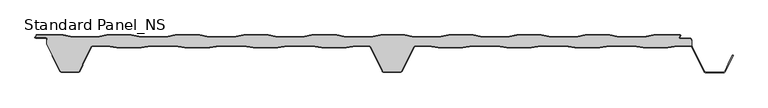
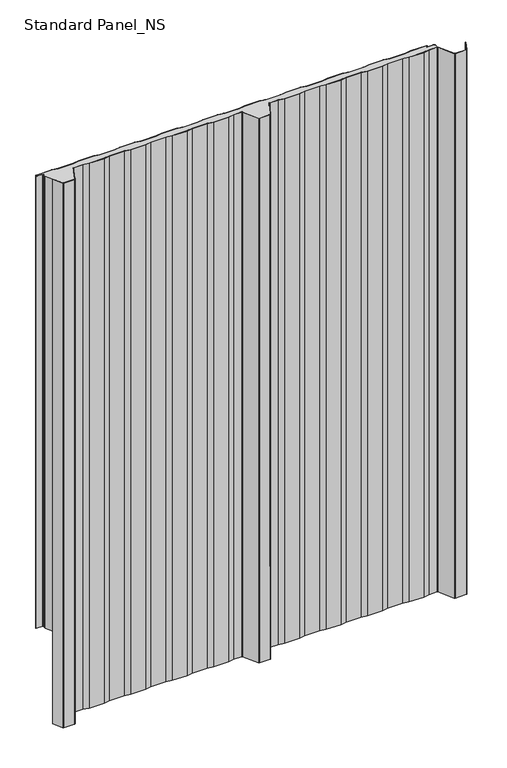
"""IFC4 building model written with IfcOpenShell, lengths in millimetres: proxy geometry, Standard Panel_NS."""

from ifc_helpers import new_model, si_unit, point, frame, frame_2d, origin, origin_with_axes, place, context, project, spatial, polyline, circle_curve, trimmed, segment, composite_curve, outline, extrude, source, transform, mapped, element, save
from ifc_brep_helpers import plane_surface, cylinder_surface, revolved_surface, advanced_brep


def standard_panel_ns_cf2eb5dc(model_context):
    return source(origin(), model_context, "Body", "SolidModel", [
        advanced_brep(
        [(-464.8660923, -16.7, 1219.2), (-442.3904103, -16.7, 1219.2), (-427.5510173, -19.2, 1219.2), (-389.4758059, -19.2, 1219.2), (-374.6364129, -16.7, 1219.2), (-336.3904103, -16.7, 1219.2), (-321.5510173, -19.2, 1219.2), (-283.4758059, -19.2, 1219.2), (-268.6364129, -16.7, 1219.2), (-230.3904103, -16.7, 1219.2), (-215.5510173, -19.2, 1219.2), (-177.4758059, -19.2, 1219.2), (-162.6364129, -16.7, 1219.2), (-124.3904103, -16.7, 1219.2), (-109.5510173, -19.2, 1219.2), (-71.4758059, -19.2, 1219.2), (-56.6364129, -16.7, 1219.2), (-36.4221814, -16.7, 1219.2), (-33.648765, -18.415023, 1219.2), (-14.9196128, -55.9201502, 1219.2), (-13.5776371, -56.75, 1219.2), (13.5778186, -56.75, 1219.2), (14.9197943, -55.9201502, 1219.2), (33.6489464, -18.415023, 1219.2), (36.4223629, -16.7, 1219.2), (56.6365943, -16.7, 1219.2), (71.4759874, -19.2, 1219.2), (109.5511987, -19.2, 1219.2), (124.3905918, -16.7, 1219.2), (162.6365943, -16.7, 1219.2), (177.4759874, -19.2, 1219.2), (215.5511987, -19.2, 1219.2), (230.3905918, -16.7, 1219.2), (268.6365943, -16.7, 1219.2), (283.4759874, -19.2, 1219.2), (321.5511987, -19.2, 1219.2), (336.3905918, -16.7, 1219.2), (374.6365943, -16.7, 1219.2), (389.4759874, -19.2, 1219.2), (427.5511987, -19.2, 1219.2), (442.3905918, -16.7, 1219.2), (462.60413, -16.7, 1219.2), (464.2327461, -17.1622719, 1219.2), (464.2, -9.4, 1219.2), (463.3617336, -9.4, 1219.2), (463.3617336, -7.4001714, 1219.2), (462.0617343, -6.1001721, 1219.2), (446.4756642, -6.1001721, 1219.2), (444.965675, -3.3204106, 1219.2), (446.6010518, -0.8, 1219.2), (405.4929437, -0.8, 1219.2), (390.4929437, -3.3, 1219.2), (352.3605236, -3.3, 1219.2), (337.3605236, -0.8, 1219.2), (299.4929437, -0.8, 1219.2), (284.4929437, -3.3, 1219.2), (246.3605236, -3.3, 1219.2), (231.3605236, -0.8, 1219.2), (193.4929437, -0.8, 1219.2), (178.4929437, -3.3, 1219.2), (140.3605236, -3.3, 1219.2), (125.3605236, -0.8, 1219.2), (87.4929437, -0.8, 1219.2), (72.4929437, -3.3, 1219.2), (34.3605236, -3.3, 1219.2), (19.3605236, -0.8, 1219.2), (-18.0070563, -0.8, 1219.2), (-33.0070563, -3.3, 1219.2), (-71.1394764, -3.3, 1219.2), (-86.1394764, -0.8, 1219.2), (-124.5070563, -0.8, 1219.2), (-139.5070563, -3.3, 1219.2), (-177.6394764, -3.3, 1219.2), (-192.6394764, -0.8, 1219.2), (-230.5070563, -0.8, 1219.2), (-245.5070563, -3.3, 1219.2), (-283.6394764, -3.3, 1219.2), (-298.6394764, -0.8, 1219.2), (-336.5070563, -0.8, 1219.2), (-351.5070563, -3.3, 1219.2), (-389.6394764, -3.3, 1219.2), (-404.6394764, -0.8, 1219.2), (-442.5070563, -0.8, 1219.2), (-457.5070563, -3.3, 1219.2), (-495.6394764, -3.3, 1219.2), (-510.6394764, -0.8, 1219.2), (-551.4916498, -0.8, 1219.2), (-553.5680922, -4.0001723, 1219.2), (-537.2382661, -4.0001723, 1219.2), (-535.0382664, -6.2001721, 1219.2), (-535.0382664, -8.130172, 1219.2), (-535.8382664, -8.130172, 1219.2), (-535.7998185, -14.25, 1219.2), (-514.9196128, -55.9201502, 1219.2), (-513.5776371, -56.75, 1219.2), (-486.4221814, -56.75, 1219.2), (-485.0802057, -55.9201502, 1219.2), (-480.840508, -47.4301555, 1219.2), (-480.6503205, -45.7702853, 1219.2), (-480.4229673, -45.0045421, 1219.2), (-466.9237884, -17.9724364, 1219.2), (-464.8660923, -16.7, 0.0), (-466.9237884, -17.9724364, 0.0), (-480.4229673, -45.0045421, 0.0), (-480.6503205, -45.7702853, 0.0), (-480.840508, -47.4301555, 0.0), (-485.0802057, -55.9201502, 0.0), (-486.4221814, -56.75, 0.0), (-513.5776371, -56.75, 0.0), (-514.9196128, -55.9201502, 0.0), (-535.7286766, -14.25, 0.0), (-535.8382664, -8.130172, 0.0), (-535.0382664, -8.130172, 0.0), (-535.0382664, -6.2001721, 0.0), (-537.2382661, -4.0001723, 0.0), (-553.5680922, -4.0001723, 0.0), (-551.4916498, -0.8, 0.0), (-510.6394764, -0.8, 0.0), (-495.6394764, -3.3, 0.0), (-457.5070563, -3.3, 0.0), (-442.5070563, -0.8, 0.0), (-404.6394764, -0.8, 0.0), (-389.6394764, -3.3, 0.0), (-351.5070563, -3.3, 0.0), (-336.5070563, -0.8, 0.0), (-298.6394764, -0.8, 0.0), (-283.6394764, -3.3, 0.0), (-245.5070563, -3.3, 0.0), (-230.5070563, -0.8, 0.0), (-192.6394764, -0.8, 0.0), (-177.6394764, -3.3, 0.0), (-139.5070563, -3.3, 0.0), (-124.5070563, -0.8, 0.0), (-86.1394764, -0.8, 0.0), (-71.1394764, -3.3, 0.0), (-33.0070563, -3.3, 0.0), (-18.0070563, -0.8, 0.0), (19.3605236, -0.8, 0.0), (34.3605236, -3.3, 0.0), (72.4929437, -3.3, 0.0), (87.4929437, -0.8, 0.0), (125.3605236, -0.8, 0.0), (140.3605236, -3.3, 0.0), (178.4929437, -3.3, 0.0), (193.4929437, -0.8, 0.0), (231.3605236, -0.8, 0.0), (246.3605236, -3.3, 0.0), (284.4929437, -3.3, 0.0), (299.4929437, -0.8, 0.0), (337.3605236, -0.8, 0.0), (352.3605236, -3.3, 0.0), (390.4929437, -3.3, 0.0), (405.4929437, -0.8, 0.0), (446.6010518, -0.8, 0.0), (444.965675, -3.3204106, 0.0), (446.4756642, -6.1001721, 0.0), (462.0617343, -6.1001721, 0.0), (463.3617336, -7.4001714, 0.0), (463.3617336, -9.4001722, 0.0), (464.2, -9.4, 0.0), (464.2327461, -17.1622719, 0.0), (462.60413, -16.7, 0.0), (442.3905918, -16.7, 0.0), (427.5511987, -19.2, 0.0), (389.4759874, -19.2, 0.0), (374.6365943, -16.7, 0.0), (336.3905918, -16.7, 0.0), (321.5511987, -19.2, 0.0), (283.4759874, -19.2, 0.0), (268.6365943, -16.7, 0.0), (230.3905918, -16.7, 0.0), (215.5511987, -19.2, 0.0), (177.4759874, -19.2, 0.0), (162.6365943, -16.7, 0.0), (124.3905918, -16.7, 0.0), (109.5511987, -19.2, 0.0), (71.4759874, -19.2, 0.0), (56.6365943, -16.7, 0.0), (36.4223629, -16.7, 0.0), (33.6489464, -18.415023, 0.0), (14.9197943, -55.9201502, 0.0), (13.5778186, -56.75, 0.0), (-13.5776371, -56.75, 0.0), (-14.9196128, -55.9201502, 0.0), (-33.648765, -18.415023, 0.0), (-36.4221814, -16.7, 0.0), (-56.6364129, -16.7, 0.0), (-71.4758059, -19.2, 0.0), (-109.5510173, -19.2, 0.0), (-124.3904103, -16.7, 0.0), (-162.6364129, -16.7, 0.0), (-177.4758059, -19.2, 0.0), (-215.5510173, -19.2, 0.0), (-230.3904103, -16.7, 0.0), (-268.6364129, -16.7, 0.0), (-283.4758059, -19.2, 0.0), (-321.5510173, -19.2, 0.0), (-336.3904103, -16.7, 0.0), (-374.6364129, -16.7, 0.0), (-389.4758059, -19.2, 0.0), (-427.5510173, -19.2, 0.0), (-442.3904103, -16.7, 0.0)],
        [
            (0, 1),
            (1, 2),
            (2, 3),
            (3, 4),
            (4, 5),
            (5, 6),
            (6, 7),
            (7, 8),
            (8, 9),
            (9, 10),
            (10, 11),
            (11, 12),
            (12, 13),
            (13, 14),
            (14, 15),
            (15, 16),
            (16, 17),
            (17, 18, circle_curve(frame((-36.4221814, -19.8, 1219.2), z_axis=(0.0, 0.0, -1.0), x_axis=(-1.0, 0.0, 0.0)), 3.1)),
            (18, 19),
            (19, 20, circle_curve(frame((-13.5776371, -55.25, 1219.2), z_axis=(0.0, 0.0, 1.0), x_axis=(-1.0, 0.0, 0.0)), 1.5)),
            (20, 21),
            (21, 22, circle_curve(frame((13.5778186, -55.25, 1219.2), z_axis=(0.0, 0.0, 1.0), x_axis=(-1.0, 0.0, 0.0)), 1.5)),
            (22, 23),
            (23, 24, circle_curve(frame((36.4223629, -19.8, 1219.2), z_axis=(0.0, 0.0, -1.0), x_axis=(-1.0, 0.0, 0.0)), 3.1)),
            (24, 25),
            (25, 26),
            (26, 27),
            (27, 28),
            (28, 29),
            (29, 30),
            (30, 31),
            (31, 32),
            (32, 33),
            (33, 34),
            (34, 35),
            (35, 36),
            (36, 37),
            (37, 38),
            (38, 39),
            (39, 40),
            (40, 41),
            (41, 42, circle_curve(frame((462.60413, -19.8, 1219.2), z_axis=(0.0, 0.0, -1.0), x_axis=(-1.0, 0.0, 0.0)), 3.1)),
            (42, 43),
            (43, 44),
            (44, 45),
            (45, 46, circle_curve(frame((462.0617343, -7.4001714, 1219.2), z_axis=(0.0, 0.0, 1.0), x_axis=(-1.0, 0.0, 0.0)), 1.2999993)),
            (46, 47),
            (47, 48, circle_curve(frame((446.4756642, -4.3001721, 1219.2), z_axis=(0.0, 0.0, -1.0), x_axis=(-1.0, 0.0, 0.0)), 1.8)),
            (48, 49),
            (49, 50),
            (50, 51),
            (51, 52),
            (52, 53),
            (53, 54),
            (54, 55),
            (55, 56),
            (56, 57),
            (57, 58),
            (58, 59),
            (59, 60),
            (60, 61),
            (61, 62),
            (62, 63),
            (63, 64),
            (64, 65),
            (65, 66),
            (66, 67),
            (67, 68),
            (68, 69),
            (69, 70),
            (70, 71),
            (71, 72),
            (72, 73),
            (73, 74),
            (74, 75),
            (75, 76),
            (76, 77),
            (77, 78),
            (78, 79),
            (79, 80),
            (80, 81),
            (81, 82),
            (82, 83),
            (83, 84),
            (84, 85),
            (85, 86),
            (86, 87),
            (87, 88),
            (88, 89, circle_curve(frame((-537.2382661, -6.2001721, 1219.2), z_axis=(0.0, 0.0, -1.0), x_axis=(-1.0, 0.0, 0.0)), 2.1999997)),
            (89, 90),
            (90, 91),
            (91, 92),
            (92, 93),
            (93, 94, circle_curve(frame((-513.5776371, -55.25, 1219.2), z_axis=(0.0, 0.0, 1.0), x_axis=(-1.0, 0.0, 0.0)), 1.5)),
            (94, 95),
            (95, 96, circle_curve(frame((-486.4221814, -55.25, 1219.2), z_axis=(0.0, 0.0, 1.0), x_axis=(-1.0, 0.0, 0.0)), 1.5)),
            (96, 97),
            (97, 98),
            (98, 99, circle_curve(frame((-478.3652712, -46.0321057, 1219.2), z_axis=(0.0, 0.0, -1.0), x_axis=(-1.0, 0.0, 0.0)), 2.3)),
            (99, 100),
            (100, 0, circle_curve(frame((-464.8660923, -19.0, 1219.2), z_axis=(0.0, 0.0, -1.0), x_axis=(-1.0, 0.0, 0.0)), 2.3)),
            (101, 102, circle_curve(frame((-464.8660923, -19.0, 0.0), z_axis=(0.0, 0.0, 1.0), x_axis=(-1.0, 0.0, 0.0)), 2.3)),
            (102, 103),
            (103, 104, circle_curve(frame((-478.3652712, -46.0321057, 0.0), z_axis=(0.0, 0.0, 1.0), x_axis=(-1.0, 0.0, 0.0)), 2.3)),
            (104, 105),
            (105, 106),
            (106, 107, circle_curve(frame((-486.4221814, -55.25, 0.0), z_axis=(0.0, 0.0, -1.0), x_axis=(-1.0, 0.0, 0.0)), 1.5)),
            (107, 108),
            (108, 109, circle_curve(frame((-513.5776371, -55.25, 0.0), z_axis=(0.0, 0.0, -1.0), x_axis=(-1.0, 0.0, 0.0)), 1.5)),
            (109, 110),
            (110, 111),
            (111, 112),
            (112, 113),
            (113, 114, circle_curve(frame((-537.2382661, -6.2001721, 0.0), z_axis=(0.0, 0.0, 1.0), x_axis=(-1.0, 0.0, 0.0)), 2.1999997)),
            (114, 115),
            (115, 116),
            (116, 117),
            (117, 118),
            (118, 119),
            (119, 120),
            (120, 121),
            (121, 122),
            (122, 123),
            (123, 124),
            (124, 125),
            (125, 126),
            (126, 127),
            (127, 128),
            (128, 129),
            (129, 130),
            (130, 131),
            (131, 132),
            (132, 133),
            (133, 134),
            (134, 135),
            (135, 136),
            (136, 137),
            (137, 138),
            (138, 139),
            (139, 140),
            (140, 141),
            (141, 142),
            (142, 143),
            (143, 144),
            (144, 145),
            (145, 146),
            (146, 147),
            (147, 148),
            (148, 149),
            (149, 150),
            (150, 151),
            (151, 152),
            (152, 153),
            (153, 154),
            (154, 155, circle_curve(frame((446.4756642, -4.3001721, 0.0), z_axis=(0.0, 0.0, 1.0), x_axis=(-1.0, 0.0, 0.0)), 1.8)),
            (155, 156),
            (156, 157, circle_curve(frame((462.0617343, -7.4001714, 0.0), z_axis=(0.0, 0.0, -1.0), x_axis=(-1.0, 0.0, 0.0)), 1.2999993)),
            (157, 158),
            (158, 159),
            (159, 160),
            (160, 161, circle_curve(frame((462.60413, -19.8, 0.0), z_axis=(0.0, 0.0, 1.0), x_axis=(-1.0, 0.0, 0.0)), 3.1)),
            (161, 162),
            (162, 163),
            (163, 164),
            (164, 165),
            (165, 166),
            (166, 167),
            (167, 168),
            (168, 169),
            (169, 170),
            (170, 171),
            (171, 172),
            (172, 173),
            (173, 174),
            (174, 175),
            (175, 176),
            (176, 177),
            (177, 178),
            (178, 179, circle_curve(frame((36.4223629, -19.8, 0.0), z_axis=(0.0, 0.0, 1.0), x_axis=(-1.0, 0.0, 0.0)), 3.1)),
            (179, 180),
            (180, 181, circle_curve(frame((13.5778186, -55.25, 0.0), z_axis=(0.0, 0.0, -1.0), x_axis=(-1.0, 0.0, 0.0)), 1.5)),
            (181, 182),
            (182, 183, circle_curve(frame((-13.5776371, -55.25, 0.0), z_axis=(0.0, 0.0, -1.0), x_axis=(-1.0, 0.0, 0.0)), 1.5)),
            (183, 184),
            (184, 185, circle_curve(frame((-36.4221814, -19.8, 0.0), z_axis=(0.0, 0.0, 1.0), x_axis=(-1.0, 0.0, 0.0)), 3.1)),
            (185, 186),
            (186, 187),
            (187, 188),
            (188, 189),
            (189, 190),
            (190, 191),
            (191, 192),
            (192, 193),
            (193, 194),
            (194, 195),
            (195, 196),
            (196, 197),
            (197, 198),
            (198, 199),
            (199, 200),
            (200, 201),
            (201, 101),
            (100, 102),
            (101, 0),
            (99, 103),
            (98, 104),
            (97, 105),
            (96, 106),
            (95, 107),
            (94, 108),
            (93, 109),
            (92, 110),
            (159, 43),
            (42, 160),
            (41, 161),
            (40, 162),
            (39, 163),
            (38, 164),
            (37, 165),
            (36, 166),
            (35, 167),
            (34, 168),
            (33, 169),
            (32, 170),
            (31, 171),
            (30, 172),
            (29, 173),
            (28, 174),
            (27, 175),
            (26, 176),
            (25, 177),
            (24, 178),
            (23, 179),
            (22, 180),
            (21, 181),
            (20, 182),
            (19, 183),
            (18, 184),
            (17, 185),
            (16, 186),
            (15, 187),
            (14, 188),
            (13, 189),
            (12, 190),
            (11, 191),
            (10, 192),
            (9, 193),
            (8, 194),
            (7, 195),
            (6, 196),
            (5, 197),
            (4, 198),
            (3, 199),
            (2, 200),
            (1, 201),
            (158, 44),
            (91, 111),
            (88, 114),
            (113, 89),
            (87, 115),
            (86, 116),
            (85, 117),
            (84, 118),
            (83, 119),
            (82, 120),
            (81, 121),
            (80, 122),
            (79, 123),
            (78, 124),
            (77, 125),
            (76, 126),
            (75, 127),
            (74, 128),
            (73, 129),
            (72, 130),
            (71, 131),
            (70, 132),
            (69, 133),
            (68, 134),
            (67, 135),
            (66, 136),
            (65, 137),
            (64, 138),
            (63, 139),
            (62, 140),
            (61, 141),
            (60, 142),
            (59, 143),
            (58, 144),
            (57, 145),
            (56, 146),
            (55, 147),
            (54, 148),
            (53, 149),
            (52, 150),
            (51, 151),
            (50, 152),
            (49, 153),
            (48, 154),
            (47, 155),
            (46, 156),
            (45, 157),
            (90, 112),
        ],
        [
            plane_surface(frame((9.07e-05, -19.2, 1219.2), z_axis=(0.0, 0.0, 1.0), x_axis=(0.0, -1.0, 0.0))),
            plane_surface(frame((9.07e-05, -19.2, 0.0), z_axis=(0.0, 0.0, -1.0), x_axis=(0.0, -1.0, 0.0))),
            revolved_surface(polyline([(-467.1660923, -19.0, 0.0), (-467.1660923, -19.0, 1219.2)]), (-464.8660923, -19.0, 1219.2), (0.0, 0.0, -1.0)),
            plane_surface(frame((-466.9237884, -17.9724364, 1219.2), z_axis=(0.8946504628058127, -0.44676677293789996, 0.0), x_axis=(0.0, 0.0, -1.0))),
            revolved_surface(polyline([(-480.6652712, -46.0321057, 0.0), (-480.6652712, -46.0321057, 1219.2)]), (-478.3652712, -46.0321057, 1219.2), (0.0, 0.0, -1.0)),
            plane_surface(frame((-480.6503205, -45.7702853, 1219.2), z_axis=(0.9934996737929253, -0.113834960242235, 0.0), x_axis=(0.0, 0.0, -1.0))),
            plane_surface(frame((-480.840508, -47.4301555, 1219.2), z_axis=(0.8946504628055771, -0.44676677293837186, 0.0), x_axis=(0.0, 0.0, -1.0))),
            cylinder_surface(frame((-486.4221814, -55.25, 1219.2), z_axis=(0.0, 0.0, 1.0), x_axis=(-1.0, 0.0, 0.0)), 1.5),
            plane_surface(frame((-486.4221814, -56.75, 1219.2), z_axis=(0.0, -1.0, 0.0), x_axis=(0.0, 0.0, -1.0))),
            cylinder_surface(frame((-513.5776371, -55.25, 1219.2), z_axis=(0.0, 0.0, 1.0), x_axis=(-1.0, 0.0, 0.0)), 1.5),
            plane_surface(frame((-514.9196128, -55.9201502, 1219.2), z_axis=(-0.8946504628064579, -0.44676677293660805, 0.0), x_axis=(0.0, 0.0, -1.0))),
            plane_surface(frame((464.2327461, -14.25, 1219.2), z_axis=(1.0, 0.0, 0.0), x_axis=(0.0, 0.0, -1.0))),
            revolved_surface(polyline([(459.50413, -19.8, 0.0), (459.50413, -19.8, 1219.2)]), (462.60413, -19.8, 1219.2), (0.0, 0.0, -1.0)),
            plane_surface(frame((462.60413, -16.7, 1219.2), z_axis=(0.0, -1.0, 0.0), x_axis=(0.0, 0.0, -1.0))),
            plane_surface(frame((442.3905918, -16.7, 1219.2), z_axis=(0.16612942863435848, -0.9861039564577467, 0.0), x_axis=(0.0, 0.0, -1.0))),
            plane_surface(frame((427.5511987, -19.2, 1219.2), z_axis=(0.0, -1.0, 0.0), x_axis=(0.0, 0.0, -1.0))),
            plane_surface(frame((389.4759874, -19.2, 1219.2), z_axis=(-0.16612942863454067, -0.9861039564577161, 0.0), x_axis=(0.0, 0.0, -1.0))),
            plane_surface(frame((374.6365943, -16.7, 1219.2), z_axis=(0.0, -1.0, 0.0), x_axis=(0.0, 0.0, -1.0))),
            plane_surface(frame((336.3905918, -16.7, 1219.2), z_axis=(0.1661294286345235, -0.986103956457719, 0.0), x_axis=(0.0, 0.0, -1.0))),
            plane_surface(frame((321.5511987, -19.2, 1219.2), z_axis=(0.0, -1.0, 0.0), x_axis=(0.0, 0.0, -1.0))),
            plane_surface(frame((283.4759874, -19.2, 1219.2), z_axis=(-0.16612942863454067, -0.9861039564577161, 0.0), x_axis=(0.0, 0.0, -1.0))),
            plane_surface(frame((268.6365943, -16.7, 1219.2), z_axis=(0.0, -1.0, 0.0), x_axis=(0.0, 0.0, -1.0))),
            plane_surface(frame((230.3905918, -16.7, 1219.2), z_axis=(0.16612942863435848, -0.9861039564577467, 0.0), x_axis=(0.0, 0.0, -1.0))),
            plane_surface(frame((215.5511987, -19.2, 1219.2), z_axis=(0.0, -1.0, 0.0), x_axis=(0.0, 0.0, -1.0))),
            plane_surface(frame((177.4759874, -19.2, 1219.2), z_axis=(-0.16612942863472926, -0.9861039564576843, 0.0), x_axis=(0.0, 0.0, -1.0))),
            plane_surface(frame((162.6365943, -16.7, 1219.2), z_axis=(0.0, -1.0, 0.0), x_axis=(0.0, 0.0, -1.0))),
            plane_surface(frame((124.3905918, -16.7, 1219.2), z_axis=(0.1661294286345235, -0.986103956457719, 0.0), x_axis=(0.0, 0.0, -1.0))),
            plane_surface(frame((109.5511987, -19.2, 1219.2), z_axis=(0.0, -1.0, 0.0), x_axis=(0.0, 0.0, -1.0))),
            plane_surface(frame((71.4759874, -19.2, 1219.2), z_axis=(-0.16612942863435204, -0.9861039564577478, 0.0), x_axis=(0.0, 0.0, -1.0))),
            plane_surface(frame((56.6365943, -16.7, 1219.2), z_axis=(0.0, -1.0, 0.0), x_axis=(0.0, 0.0, -1.0))),
            revolved_surface(polyline([(33.3223629, -19.8, 0.0), (33.3223629, -19.8, 1219.2)]), (36.4223629, -19.8, 1219.2), (0.0, 0.0, -1.0)),
            plane_surface(frame((33.6489464, -18.415023, 1219.2), z_axis=(0.8946504628060804, -0.44676677293736405, 0.0), x_axis=(0.0, 0.0, -1.0))),
            cylinder_surface(frame((13.5778186, -55.25, 1219.2), z_axis=(0.0, 0.0, 1.0), x_axis=(-1.0, 0.0, 0.0)), 1.5),
            plane_surface(frame((13.5778186, -56.75, 1219.2), z_axis=(0.0, -1.0, 0.0), x_axis=(0.0, 0.0, -1.0))),
            cylinder_surface(frame((-13.5776371, -55.25, 1219.2), z_axis=(0.0, 0.0, 1.0), x_axis=(-1.0, 0.0, 0.0)), 1.5),
            plane_surface(frame((-14.9196128, -55.9201502, 1219.2), z_axis=(-0.8946504628059846, -0.4467667729375559, 0.0), x_axis=(0.0, 0.0, -1.0))),
            revolved_surface(polyline([(-39.5221814, -19.8, 0.0), (-39.5221814, -19.8, 1219.2)]), (-36.4221814, -19.8, 1219.2), (0.0, 0.0, -1.0)),
            plane_surface(frame((-36.4221814, -16.7, 1219.2), z_axis=(0.0, -1.0, 0.0), x_axis=(0.0, 0.0, -1.0))),
            plane_surface(frame((-56.6364129, -16.7, 1219.2), z_axis=(0.16612942863461477, -0.9861039564577035, 0.0), x_axis=(0.0, 0.0, -1.0))),
            plane_surface(frame((-71.4758059, -19.2, 1219.2), z_axis=(0.0, -1.0, 0.0), x_axis=(0.0, 0.0, -1.0))),
            plane_surface(frame((-109.5510173, -19.2, 1219.2), z_axis=(-0.16612942863482053, -0.9861039564576689, 0.0), x_axis=(0.0, 0.0, -1.0))),
            plane_surface(frame((-124.3904103, -16.7, 1219.2), z_axis=(0.0, -1.0, 0.0), x_axis=(0.0, 0.0, -1.0))),
            plane_surface(frame((-162.6364129, -16.7, 1219.2), z_axis=(0.16612942863457067, -0.986103956457711, 0.0), x_axis=(0.0, 0.0, -1.0))),
            plane_surface(frame((-177.4758059, -19.2, 1219.2), z_axis=(0.0, -1.0, 0.0), x_axis=(0.0, 0.0, -1.0))),
            plane_surface(frame((-215.5510173, -19.2, 1219.2), z_axis=(-0.16612942863435204, -0.9861039564577478, 0.0), x_axis=(0.0, 0.0, -1.0))),
            plane_surface(frame((-230.3904103, -16.7, 1219.2), z_axis=(0.0, -1.0, 0.0), x_axis=(0.0, 0.0, -1.0))),
            plane_surface(frame((-268.6364129, -16.7, 1219.2), z_axis=(0.1661294286345471, -0.986103956457715, 0.0), x_axis=(0.0, 0.0, -1.0))),
            plane_surface(frame((-283.4758059, -19.2, 1219.2), z_axis=(0.0, -1.0, 0.0), x_axis=(0.0, 0.0, -1.0))),
            plane_surface(frame((-321.5510173, -19.2, 1219.2), z_axis=(-0.16612942863454067, -0.9861039564577161, 0.0), x_axis=(0.0, 0.0, -1.0))),
            plane_surface(frame((-336.3904103, -16.7, 1219.2), z_axis=(0.0, -1.0, 0.0), x_axis=(0.0, 0.0, -1.0))),
            plane_surface(frame((-374.6364129, -16.7, 1219.2), z_axis=(0.1661294286345471, -0.986103956457715, 0.0), x_axis=(0.0, 0.0, -1.0))),
            plane_surface(frame((-389.4758059, -19.2, 1219.2), z_axis=(0.0, -1.0, 0.0), x_axis=(0.0, 0.0, -1.0))),
            plane_surface(frame((-427.5510173, -19.2, 1219.2), z_axis=(-0.16612942863472926, -0.9861039564576843, 0.0), x_axis=(0.0, 0.0, -1.0))),
            plane_surface(frame((-442.3904103, -16.7, 1219.2), z_axis=(0.0, -1.0, 0.0), x_axis=(0.0, 0.0, -1.0))),
            plane_surface(frame((-535.7998185, -9.4, 1219.2), z_axis=(0.0, 1.0, 0.0), x_axis=(0.0, 0.0, -1.0))),
            plane_surface(frame((-535.7998185, -14.25, 1219.2), z_axis=(-1.0, 0.0, 0.0), x_axis=(0.0, 0.0, -1.0))),
            revolved_surface(polyline([(-539.4382658000001, -6.2001721, 0.0), (-539.4382658000001, -6.2001721, 1219.2)]), (-537.2382661, -6.2001721, 1219.2), (0.0, 0.0, -1.0)),
            plane_surface(frame((-537.2382661, -4.0001723, 1219.2), z_axis=(0.0, -1.0, 0.0), x_axis=(0.0, 0.0, -1.0))),
            plane_surface(frame((-553.5680922, -4.0001723, 1219.2), z_axis=(-0.8388828900560089, 0.5443119480328152, 0.0), x_axis=(0.0, 0.0, -1.0))),
            plane_surface(frame((-551.4916498, -0.8, 1219.2), z_axis=(0.0, 1.0, 0.0), x_axis=(0.0, 0.0, -1.0))),
            plane_surface(frame((-510.6394764, -0.8, 1219.2), z_axis=(0.16439898730529637, 0.986393923832154, 0.0), x_axis=(0.0, 0.0, -1.0))),
            plane_surface(frame((-495.6394764, -3.3, 1219.2), z_axis=(0.0, 1.0, 0.0), x_axis=(0.0, 0.0, -1.0))),
            plane_surface(frame((-457.5070563, -3.3, 1219.2), z_axis=(-0.1643989873053497, 0.9863939238321451, 0.0), x_axis=(0.0, 0.0, -1.0))),
            plane_surface(frame((-442.5070563, -0.8, 1219.2), z_axis=(0.0, 1.0, 0.0), x_axis=(0.0, 0.0, -1.0))),
            plane_surface(frame((-404.6394764, -0.8, 1219.2), z_axis=(0.16439898730534544, 0.9863939238321457, 0.0), x_axis=(0.0, 0.0, -1.0))),
            plane_surface(frame((-389.6394764, -3.3, 1219.2), z_axis=(0.0, 1.0, 0.0), x_axis=(0.0, 0.0, -1.0))),
            plane_surface(frame((-351.5070563, -3.3, 1219.2), z_axis=(-0.16439898730537528, 0.9863939238321408, 0.0), x_axis=(0.0, 0.0, -1.0))),
            plane_surface(frame((-336.5070563, -0.8, 1219.2), z_axis=(0.0, 1.0, 0.0), x_axis=(0.0, 0.0, -1.0))),
            plane_surface(frame((-298.6394764, -0.8, 1219.2), z_axis=(0.16439898730518882, 0.9863939238321718, 0.0), x_axis=(0.0, 0.0, -1.0))),
            plane_surface(frame((-283.6394764, -3.3, 1219.2), z_axis=(0.0, 1.0, 0.0), x_axis=(0.0, 0.0, -1.0))),
            plane_surface(frame((-245.5070563, -3.3, 1219.2), z_axis=(-0.16439898730526595, 0.986393923832159, 0.0), x_axis=(0.0, 0.0, -1.0))),
            plane_surface(frame((-230.5070563, -0.8, 1219.2), z_axis=(0.0, 1.0, 0.0), x_axis=(0.0, 0.0, -1.0))),
            plane_surface(frame((-192.6394764, -0.8, 1219.2), z_axis=(0.1643989873054454, 0.9863939238321291, 0.0), x_axis=(0.0, 0.0, -1.0))),
            plane_surface(frame((-177.6394764, -3.3, 1219.2), z_axis=(0.0, 1.0, 0.0), x_axis=(0.0, 0.0, -1.0))),
            plane_surface(frame((-139.5070563, -3.3, 1219.2), z_axis=(-0.16439898730351146, 0.9863939238324514, 0.0), x_axis=(0.0, 0.0, -1.0))),
            plane_surface(frame((-124.5070563, -0.8, 1219.2), z_axis=(0.0, 1.0, 0.0), x_axis=(0.0, 0.0, -1.0))),
            plane_surface(frame((-86.1394764, -0.8, 1219.2), z_axis=(0.16439898730531116, 0.9863939238321515, 0.0), x_axis=(0.0, 0.0, -1.0))),
            plane_surface(frame((-71.1394764, -3.3, 1219.2), z_axis=(0.0, 1.0, 0.0), x_axis=(0.0, 0.0, -1.0))),
            plane_surface(frame((-33.0070563, -3.3, 1219.2), z_axis=(-0.1643989873007139, 0.9863939238329177, 0.0), x_axis=(0.0, 0.0, -1.0))),
            plane_surface(frame((-18.0070563, -0.8, 1219.2), z_axis=(0.0, 1.0, 0.0), x_axis=(0.0, 0.0, -1.0))),
            plane_surface(frame((19.3605236, -0.8, 1219.2), z_axis=(0.16439898730276062, 0.9863939238325765, 0.0), x_axis=(0.0, 0.0, -1.0))),
            plane_surface(frame((34.3605236, -3.3, 1219.2), z_axis=(0.0, 1.0, 0.0), x_axis=(0.0, 0.0, -1.0))),
            plane_surface(frame((72.4929437, -3.3, 1219.2), z_axis=(-0.1643989873053467, 0.9863939238321456, 0.0), x_axis=(0.0, 0.0, -1.0))),
            plane_surface(frame((87.4929437, -0.8, 1219.2), z_axis=(0.0, 1.0, 0.0), x_axis=(0.0, 0.0, -1.0))),
            plane_surface(frame((125.3605236, -0.8, 1219.2), z_axis=(0.1643989873053679, 0.9863939238321421, 0.0), x_axis=(0.0, 0.0, -1.0))),
            plane_surface(frame((140.3605236, -3.3, 1219.2), z_axis=(0.0, 1.0, 0.0), x_axis=(0.0, 0.0, -1.0))),
            plane_surface(frame((178.4929437, -3.3, 1219.2), z_axis=(-0.1643989873053467, 0.9863939238321456, 0.0), x_axis=(0.0, 0.0, -1.0))),
            plane_surface(frame((193.4929437, -0.8, 1219.2), z_axis=(0.0, 1.0, 0.0), x_axis=(0.0, 0.0, -1.0))),
            plane_surface(frame((231.3605236, -0.8, 1219.2), z_axis=(0.16439898730518315, 0.9863939238321728, 0.0), x_axis=(0.0, 0.0, -1.0))),
            plane_surface(frame((246.3605236, -3.3, 1219.2), z_axis=(0.0, 1.0, 0.0), x_axis=(0.0, 0.0, -1.0))),
            plane_surface(frame((284.4929437, -3.3, 1219.2), z_axis=(-0.1643989873053467, 0.9863939238321456, 0.0), x_axis=(0.0, 0.0, -1.0))),
            plane_surface(frame((299.4929437, -0.8, 1219.2), z_axis=(0.0, 1.0, 0.0), x_axis=(0.0, 0.0, -1.0))),
            plane_surface(frame((337.3605236, -0.8, 1219.2), z_axis=(0.1643989873053679, 0.9863939238321421, 0.0), x_axis=(0.0, 0.0, -1.0))),
            plane_surface(frame((352.3605236, -3.3, 1219.2), z_axis=(0.0, 1.0, 0.0), x_axis=(0.0, 0.0, -1.0))),
            plane_surface(frame((390.4929437, -3.3, 1219.2), z_axis=(-0.16439898730516195, 0.9863939238321764, 0.0), x_axis=(0.0, 0.0, -1.0))),
            plane_surface(frame((405.4929437, -0.8, 1219.2), z_axis=(0.0, 1.0, 0.0), x_axis=(0.0, 0.0, -1.0))),
            plane_surface(frame((446.6010518, -0.8, 1219.2), z_axis=(0.8388828900539764, -0.5443119480359477, 0.0), x_axis=(0.0, 0.0, -1.0))),
            revolved_surface(polyline([(444.67566419999997, -4.3001721, 0.0), (444.67566419999997, -4.3001721, 1219.2)]), (446.4756642, -4.3001721, 1219.2), (0.0, 0.0, -1.0)),
            plane_surface(frame((446.4756642, -6.1001721, 1219.2), z_axis=(0.0, 1.0, 0.0), x_axis=(0.0, 0.0, -1.0))),
            cylinder_surface(frame((462.0617343, -7.4001714, 1219.2), z_axis=(0.0, 0.0, 1.0), x_axis=(-1.0, 0.0, 0.0)), 1.2999993),
            plane_surface(frame((463.3617336, -7.4001714, 1219.2), z_axis=(1.0, 0.0, 0.0), x_axis=(0.0, 0.0, -1.0))),
            plane_surface(frame((-535.8382664, -8.130172, 1219.2), z_axis=(0.0, 1.0, 0.0), x_axis=(0.0, 0.0, -1.0))),
            plane_surface(frame((-535.0382664, -8.130172, 1219.2), z_axis=(-1.0, 0.0, 0.0), x_axis=(0.0, 0.0, -1.0))),
        ],
        [
            (0, [[1, 2, 3, 4, 5, 6, 7, 8, 9, 10, 11, 12, 13, 14, 15, 16, 17, 18, 19, 20, 21, 22, 23, 24, 25, 26, 27, 28, 29, 30, 31, 32, 33, 34, 35, 36, 37, 38, 39, 40, 41, 42, 43, 44, 45, 46, 47, 48, 49, 50, 51, 52, 53, 54, 55, 56, 57, 58, 59, 60, 61, 62, 63, 64, 65, 66, 67, 68, 69, 70, 71, 72, 73, 74, 75, 76, 77, 78, 79, 80, 81, 82, 83, 84, 85, 86, 87, 88, 89, 90, 91, 92, 93, 94, 95, 96, 97, 98, 99, 100, 101]]),
            (1, [[102, 103, 104, 105, 106, 107, 108, 109, 110, 111, 112, 113, 114, 115, 116, 117, 118, 119, 120, 121, 122, 123, 124, 125, 126, 127, 128, 129, 130, 131, 132, 133, 134, 135, 136, 137, 138, 139, 140, 141, 142, 143, 144, 145, 146, 147, 148, 149, 150, 151, 152, 153, 154, 155, 156, 157, 158, 159, 160, 161, 162, 163, 164, 165, 166, 167, 168, 169, 170, 171, 172, 173, 174, 175, 176, 177, 178, 179, 180, 181, 182, 183, 184, 185, 186, 187, 188, 189, 190, 191, 192, 193, 194, 195, 196, 197, 198, 199, 200, 201, 202]]),
            (2, [[203, -102, 204, -101]]),
            (3, [[205, -103, -203, -100]]),
            (4, [[206, -104, -205, -99]]),
            (5, [[207, -105, -206, -98]]),
            (6, [[208, -106, -207, -97]]),
            (7, [[209, -107, -208, -96]]),
            (8, [[210, -108, -209, -95]]),
            (9, [[211, -109, -210, -94]]),
            (10, [[212, -110, -211, -93]]),
            (11, [[-160, 213, -43, 214]]),
            (12, [[215, -161, -214, -42]]),
            (13, [[216, -162, -215, -41]]),
            (14, [[217, -163, -216, -40]]),
            (15, [[218, -164, -217, -39]]),
            (16, [[219, -165, -218, -38]]),
            (17, [[220, -166, -219, -37]]),
            (18, [[221, -167, -220, -36]]),
            (19, [[222, -168, -221, -35]]),
            (20, [[223, -169, -222, -34]]),
            (21, [[224, -170, -223, -33]]),
            (22, [[225, -171, -224, -32]]),
            (23, [[226, -172, -225, -31]]),
            (24, [[227, -173, -226, -30]]),
            (25, [[228, -174, -227, -29]]),
            (26, [[229, -175, -228, -28]]),
            (27, [[230, -176, -229, -27]]),
            (28, [[231, -177, -230, -26]]),
            (29, [[232, -178, -231, -25]]),
            (30, [[233, -179, -232, -24]]),
            (31, [[234, -180, -233, -23]]),
            (32, [[235, -181, -234, -22]]),
            (33, [[236, -182, -235, -21]]),
            (34, [[237, -183, -236, -20]]),
            (35, [[238, -184, -237, -19]]),
            (36, [[239, -185, -238, -18]]),
            (37, [[240, -186, -239, -17]]),
            (38, [[241, -187, -240, -16]]),
            (39, [[242, -188, -241, -15]]),
            (40, [[243, -189, -242, -14]]),
            (41, [[244, -190, -243, -13]]),
            (42, [[245, -191, -244, -12]]),
            (43, [[246, -192, -245, -11]]),
            (44, [[247, -193, -246, -10]]),
            (45, [[248, -194, -247, -9]]),
            (46, [[249, -195, -248, -8]]),
            (47, [[250, -196, -249, -7]]),
            (48, [[251, -197, -250, -6]]),
            (49, [[252, -198, -251, -5]]),
            (50, [[253, -199, -252, -4]]),
            (51, [[254, -200, -253, -3]]),
            (52, [[255, -201, -254, -2]]),
            (53, [[-204, -202, -255, -1]]),
            (54, [[-159, 256, -44, -213]]),
            (55, [[257, -111, -212, -92]]),
            (56, [[258, -114, 259, -89]]),
            (57, [[260, -115, -258, -88]]),
            (58, [[261, -116, -260, -87]]),
            (59, [[262, -117, -261, -86]]),
            (60, [[263, -118, -262, -85]]),
            (61, [[264, -119, -263, -84]]),
            (62, [[265, -120, -264, -83]]),
            (63, [[266, -121, -265, -82]]),
            (64, [[267, -122, -266, -81]]),
            (65, [[268, -123, -267, -80]]),
            (66, [[269, -124, -268, -79]]),
            (67, [[270, -125, -269, -78]]),
            (68, [[271, -126, -270, -77]]),
            (69, [[272, -127, -271, -76]]),
            (70, [[273, -128, -272, -75]]),
            (71, [[274, -129, -273, -74]]),
            (72, [[275, -130, -274, -73]]),
            (73, [[276, -131, -275, -72]]),
            (74, [[277, -132, -276, -71]]),
            (75, [[278, -133, -277, -70]]),
            (76, [[279, -134, -278, -69]]),
            (77, [[280, -135, -279, -68]]),
            (78, [[281, -136, -280, -67]]),
            (79, [[282, -137, -281, -66]]),
            (80, [[283, -138, -282, -65]]),
            (81, [[284, -139, -283, -64]]),
            (82, [[285, -140, -284, -63]]),
            (83, [[286, -141, -285, -62]]),
            (84, [[287, -142, -286, -61]]),
            (85, [[288, -143, -287, -60]]),
            (86, [[289, -144, -288, -59]]),
            (87, [[290, -145, -289, -58]]),
            (88, [[291, -146, -290, -57]]),
            (89, [[292, -147, -291, -56]]),
            (90, [[293, -148, -292, -55]]),
            (91, [[294, -149, -293, -54]]),
            (92, [[295, -150, -294, -53]]),
            (93, [[296, -151, -295, -52]]),
            (94, [[297, -152, -296, -51]]),
            (95, [[298, -153, -297, -50]]),
            (96, [[299, -154, -298, -49]]),
            (97, [[300, -155, -299, -48]]),
            (98, [[301, -156, -300, -47]]),
            (99, [[302, -157, -301, -46]]),
            (100, [[-256, -158, -302, -45]]),
            (101, [[303, -112, -257, -91]]),
            (102, [[-259, -113, -303, -90]]),
        ],
    ),
        extrude(outline(composite_curve([segment(trimmed(circle_curve(frame_2d((-537.2382661, -6.2001721)), 1.3999997), [point((-535.8382664, -6.2001721))], [point((-537.2382661, -4.8001723))], True, "CARTESIAN"), True, "CONTINUOUS"), segment(polyline([(-537.2382661, -4.8001723), (-553.1999093, -4.8001723)]), True, "CONTINUOUS"), segment(trimmed(circle_curve(frame_2d((-553.1999093, -3.8001723)), 1.0), [point((-553.1999093, -4.8001723))], [point((-554.0387922, -3.2558604))], False, "CARTESIAN"), True, "CONTINUOUS"), segment(polyline([(-554.0387922, -3.2558604), (-552.2218911, -0.4556881)]), True, "CONTINUOUS"), segment(trimmed(circle_curve(frame_2d((-551.3830082, -1.0)), 1.0), [point((-552.2218911, -0.4556881))], [point((-551.3830082, 0.0))], False, "CARTESIAN"), True, "CONTINUOUS"), segment(polyline([(-551.3830082, 0.0), (-510.5732664, 0.0), (-495.5732664, -2.5), (-457.5732664, -2.5), (-442.5732664, 0.0), (-404.5732664, 0.0), (-389.5732664, -2.5), (-351.5732664, -2.5), (-336.5732664, 0.0), (-298.5732664, 0.0), (-283.5732664, -2.5), (-245.5732664, -2.5), (-230.5732664, 0.0), (-192.5732664, 0.0), (-177.5732664, -2.5), (-139.5732664, -2.5), (-124.5732664, 0.0), (-86.0732664, 0.0), (-71.0732664, -2.5), (-33.0732664, -2.5), (-18.0732664, 0.0), (19.4267336, 0.0), (34.4267336, -2.5), (72.4267336, -2.5), (87.4267336, 0.0), (125.4267336, 0.0), (140.4267336, -2.5), (178.4267336, -2.5), (193.4267336, 0.0), (231.4267336, 0.0), (246.4267336, -2.5), (284.4267336, -2.5), (299.4267336, 0.0), (337.4267336, 0.0), (352.4267336, -2.5), (390.4267336, -2.5), (405.4267336, 0.0), (446.2328688, 0.0)]), True, "CONTINUOUS"), segment(trimmed(circle_curve(frame_2d((446.2328688, -1.0)), 1.0), [point((446.2328688, 0.0))], [point((447.0717517, -1.5443119))], False, "CARTESIAN"), True, "CONTINUOUS"), segment(polyline([(447.0717517, -1.5443119), (445.6367813, -3.7558601)]), True, "CONTINUOUS"), segment(trimmed(circle_curve(frame_2d((446.4756642, -4.3001721)), 1.0), [point((445.6367813, -3.7558601))], [point((446.4756642, -5.3001721))], True, "CARTESIAN"), True, "CONTINUOUS"), segment(polyline([(446.4756642, -5.3001721), (462.0617343, -5.3001721)]), True, "CONTINUOUS"), segment(trimmed(circle_curve(frame_2d((462.0617343, -7.4001714)), 2.0999993), [point((462.0617343, -5.3001721))], [point((464.1617336, -7.4001714))], False, "CARTESIAN"), True, "CONTINUOUS"), segment(polyline([(464.1617336, -7.4001714), (464.1617336, -9.4001722), (463.3617336, -9.4001722), (463.3617336, -7.4001714)]), True, "CONTINUOUS"), segment(trimmed(circle_curve(frame_2d((462.0617343, -7.4001714)), 1.2999993), [point((463.3617336, -7.4001714))], [point((462.0617343, -6.1001721))], True, "CARTESIAN"), True, "CONTINUOUS"), segment(polyline([(462.0617343, -6.1001721), (446.4756642, -6.1001721)]), True, "CONTINUOUS"), segment(trimmed(circle_curve(frame_2d((446.4756642, -4.3001721)), 1.8), [point((446.4756642, -6.1001721))], [point((444.965675, -3.3204106))], False, "CARTESIAN"), True, "CONTINUOUS"), segment(polyline([(444.965675, -3.3204106), (446.6010518, -0.8), (405.4929437, -0.8), (390.4929437, -3.3), (352.3605236, -3.3), (337.3605236, -0.8), (299.4929437, -0.8), (284.4929437, -3.3), (246.3605236, -3.3), (231.3605236, -0.8), (193.4929437, -0.8), (178.4929437, -3.3), (140.3605236, -3.3), (125.3605236, -0.8), (87.4929437, -0.8), (72.4929437, -3.3), (34.3605236, -3.3), (19.3605236, -0.8), (-18.0070563, -0.8), (-33.0070563, -3.3), (-71.1394764, -3.3), (-86.1394764, -0.8), (-124.5070563, -0.8), (-139.5070563, -3.3), (-177.6394764, -3.3), (-192.6394764, -0.8), (-230.5070563, -0.8), (-245.5070563, -3.3), (-283.6394764, -3.3), (-298.6394764, -0.8), (-336.5070563, -0.8), (-351.5070563, -3.3), (-389.6394764, -3.3), (-404.6394764, -0.8), (-442.5070563, -0.8), (-457.5070563, -3.3), (-495.6394764, -3.3), (-510.6394764, -0.8), (-551.4916498, -0.8), (-553.5680922, -4.0001723), (-537.2382661, -4.0001723)]), True, "CONTINUOUS"), segment(trimmed(circle_curve(frame_2d((-537.2382661, -6.2001721)), 2.1999997), [point((-537.2382661, -4.0001723))], [point((-535.0382664, -6.2001721))], False, "CARTESIAN"), True, "CONTINUOUS"), segment(polyline([(-535.0382664, -6.2001721), (-535.0382664, -8.130172), (-535.8382664, -8.130172), (-535.8382664, -6.2001721)]), True, "CONTINUOUS")], self_intersect=False)), origin_with_axes(), (0.0, 0.0, 1.0), 1219.2),
        extrude(outline(composite_curve([segment(polyline([(-464.8660923, -16.7), (-442.3904103, -16.7), (-427.5510173, -19.2), (-389.4758059, -19.2), (-374.6364129, -16.7), (-336.3904103, -16.7), (-321.5510173, -19.2), (-283.4758059, -19.2), (-268.6364129, -16.7), (-230.3904103, -16.7), (-215.5510173, -19.2), (-177.4758059, -19.2), (-162.6364129, -16.7), (-124.3904103, -16.7), (-109.5510173, -19.2), (-71.4758059, -19.2), (-56.6364129, -16.7), (-36.4221814, -16.7)]), True, "CONTINUOUS"), segment(trimmed(circle_curve(frame_2d((-36.4221814, -19.8)), 3.1), [point((-36.4221814, -16.7))], [point((-33.648765, -18.415023))], False, "CARTESIAN"), True, "CONTINUOUS"), segment(polyline([(-33.648765, -18.415023), (-14.9196128, -55.9201502)]), True, "CONTINUOUS"), segment(trimmed(circle_curve(frame_2d((-13.5776371, -55.25)), 1.5), [point((-14.9196128, -55.9201502))], [point((-13.5776371, -56.75))], True, "CARTESIAN"), True, "CONTINUOUS"), segment(polyline([(-13.5776371, -56.75), (13.5778186, -56.75)]), True, "CONTINUOUS"), segment(trimmed(circle_curve(frame_2d((13.5778186, -55.25)), 1.5), [point((13.5778186, -56.75))], [point((14.9197943, -55.9201502))], True, "CARTESIAN"), True, "CONTINUOUS"), segment(polyline([(14.9197943, -55.9201502), (33.6489464, -18.415023)]), True, "CONTINUOUS"), segment(trimmed(circle_curve(frame_2d((36.4223629, -19.8)), 3.1), [point((33.6489464, -18.415023))], [point((36.4223629, -16.7))], False, "CARTESIAN"), True, "CONTINUOUS"), segment(polyline([(36.4223629, -16.7), (56.6365943, -16.7), (71.4759874, -19.2), (109.5511987, -19.2), (124.3905918, -16.7), (162.6365943, -16.7), (177.4759874, -19.2), (215.5511987, -19.2), (230.3905918, -16.7), (268.6365943, -16.7), (283.4759874, -19.2), (321.5511987, -19.2), (336.3905918, -16.7), (374.6365943, -16.7), (389.4759874, -19.2), (427.5511987, -19.2), (442.3905918, -16.7), (462.60413, -16.7)]), True, "CONTINUOUS"), segment(trimmed(circle_curve(frame_2d((462.60413, -19.8)), 3.1), [point((462.60413, -16.7))], [point((465.37815, -18.4162325))], False, "CARTESIAN"), True, "CONTINUOUS"), segment(polyline([(465.37815, -18.4162325), (484.5804417, -56.910808)]), True, "CONTINUOUS"), segment(trimmed(circle_curve(frame_2d((485.9227095, -56.241243)), 1.5), [point((484.5804417, -56.910808))], [point((485.9227095, -57.741243))], True, "CARTESIAN"), True, "CONTINUOUS"), segment(polyline([(485.9227095, -57.741243), (514.0774719, -57.741243)]), True, "CONTINUOUS"), segment(trimmed(circle_curve(frame_2d((514.0774719, -56.241243)), 1.5), [point((514.0774719, -57.741243))], [point((515.4194476, -56.9113932))], True, "CARTESIAN"), True, "CONTINUOUS"), segment(polyline([(515.4194476, -56.9113932), (521.4855253, -44.7640727), (520.7698049, -44.4066593), (527.1138931, -31.7026227)]), True, "CONTINUOUS"), segment(trimmed(circle_curve(frame_2d((527.8296135, -32.0600361)), 0.8), [point((527.1138931, -31.7026227))], [point((528.5453338, -32.4174495))], False, "CARTESIAN"), True, "CONTINUOUS"), segment(polyline([(528.5453338, -32.4174495), (516.135168, -57.2688066)]), True, "CONTINUOUS"), segment(trimmed(circle_curve(frame_2d((514.0774719, -56.241243)), 2.3), [point((516.135168, -57.2688066))], [point((514.0774719, -58.541243))], False, "CARTESIAN"), True, "CONTINUOUS"), segment(polyline([(514.0774719, -58.541243), (485.9227095, -58.541243)]), True, "CONTINUOUS"), segment(trimmed(circle_curve(frame_2d((485.9227095, -56.241243)), 2.3), [point((485.9227095, -58.541243))], [point((483.8645656, -57.2679093))], False, "CARTESIAN"), True, "CONTINUOUS"), segment(polyline([(483.8645656, -57.2679093), (464.6622739, -18.7733338)]), True, "CONTINUOUS"), segment(trimmed(circle_curve(frame_2d((462.60413, -19.8)), 2.3), [point((464.6622739, -18.7733338))], [point((462.60413, -17.5))], True, "CARTESIAN"), True, "CONTINUOUS"), segment(polyline([(462.60413, -17.5), (442.4575085, -17.5), (427.6181154, -20.0), (389.4090707, -20.0), (374.5696776, -17.5), (336.4575085, -17.5), (321.6181154, -20.0), (283.4090707, -20.0), (268.5696776, -17.5), (230.4575085, -17.5), (215.6181154, -20.0), (177.4090707, -20.0), (162.5696776, -17.5), (124.4575085, -17.5), (109.6181154, -20.0), (71.4090707, -20.0), (56.5696776, -17.5), (36.4223629, -17.5)]), True, "CONTINUOUS"), segment(trimmed(circle_curve(frame_2d((36.4223629, -19.8)), 2.3), [point((36.4223629, -17.5))], [point((34.3646668, -18.7724364))], True, "CARTESIAN"), True, "CONTINUOUS"), segment(polyline([(34.3646668, -18.7724364), (15.6355147, -56.2775636)]), True, "CONTINUOUS"), segment(trimmed(circle_curve(frame_2d((13.5778186, -55.25)), 2.3), [point((15.6355147, -56.2775636))], [point((13.5778186, -57.55))], False, "CARTESIAN"), True, "CONTINUOUS"), segment(polyline([(13.5778186, -57.55), (-13.5776371, -57.55)]), True, "CONTINUOUS"), segment(trimmed(circle_curve(frame_2d((-13.5776371, -55.25)), 2.3), [point((-13.5776371, -57.55))], [point((-15.6353332, -56.2775636))], False, "CARTESIAN"), True, "CONTINUOUS"), segment(polyline([(-15.6353332, -56.2775636), (-34.3644853, -18.7724364)]), True, "CONTINUOUS"), segment(trimmed(circle_curve(frame_2d((-36.4221814, -19.8)), 2.3), [point((-34.3644853, -18.7724364))], [point((-36.4221814, -17.5))], True, "CARTESIAN"), True, "CONTINUOUS"), segment(polyline([(-36.4221814, -17.5), (-56.5694962, -17.5), (-71.4088892, -20.0), (-109.617934, -20.0), (-124.4573271, -17.5), (-162.5694962, -17.5), (-177.4088892, -20.0), (-215.617934, -20.0), (-230.4573271, -17.5), (-268.5694962, -17.5), (-283.4088892, -20.0), (-321.617934, -20.0), (-336.4573271, -17.5), (-374.5694962, -17.5), (-389.4088892, -20.0), (-427.617934, -20.0), (-442.4573271, -17.5), (-464.8660923, -17.5)]), True, "CONTINUOUS"), segment(trimmed(circle_curve(frame_2d((-464.8660923, -19.0)), 1.5), [point((-464.8660923, -17.5))], [point((-466.208068, -18.3298498))], True, "CARTESIAN"), True, "CONTINUOUS"), segment(polyline([(-466.208068, -18.3298498), (-479.8254125, -45.5985821), (-480.061766, -47.6613681), (-484.3644853, -56.2775636)]), True, "CONTINUOUS"), segment(trimmed(circle_curve(frame_2d((-486.4221814, -55.25)), 2.3), [point((-484.3644853, -56.2775636))], [point((-486.4221814, -57.55))], False, "CARTESIAN"), True, "CONTINUOUS"), segment(polyline([(-486.4221814, -57.55), (-513.5776371, -57.55)]), True, "CONTINUOUS"), segment(trimmed(circle_curve(frame_2d((-513.5776371, -55.25)), 2.3), [point((-513.5776371, -57.55))], [point((-515.6353332, -56.2775636))], False, "CARTESIAN"), True, "CONTINUOUS"), segment(polyline([(-515.6353332, -56.2775636), (-527.5093789, -32.499787), (-526.7936585, -32.1423736), (-514.9196128, -55.9201502)]), True, "CONTINUOUS"), segment(trimmed(circle_curve(frame_2d((-513.5776371, -55.25)), 1.5), [point((-514.9196128, -55.9201502))], [point((-513.5776371, -56.75))], True, "CARTESIAN"), True, "CONTINUOUS"), segment(polyline([(-513.5776371, -56.75), (-486.4221814, -56.75)]), True, "CONTINUOUS"), segment(trimmed(circle_curve(frame_2d((-486.4221814, -55.25)), 1.5), [point((-486.4221814, -56.75))], [point((-485.0802057, -55.9201502))], True, "CARTESIAN"), True, "CONTINUOUS"), segment(polyline([(-485.0802057, -55.9201502), (-480.840508, -47.4301555), (-480.6503205, -45.7702853)]), True, "CONTINUOUS"), segment(trimmed(circle_curve(frame_2d((-478.3652712, -46.0321057)), 2.3), [point((-480.6503205, -45.7702853))], [point((-480.4229673, -45.0045421))], False, "CARTESIAN"), True, "CONTINUOUS"), segment(polyline([(-480.4229673, -45.0045421), (-466.9237884, -17.9724364)]), True, "CONTINUOUS"), segment(trimmed(circle_curve(frame_2d((-464.8660923, -19.0)), 2.3), [point((-466.9237884, -17.9724364))], [point((-464.8660923, -16.7))], False, "CARTESIAN"), True, "CONTINUOUS")], self_intersect=False)), frame((0.0, 0.0, -250.0), z_axis=(0.0, 0.0, 1.0), x_axis=(1.0, 0.0, 0.0)), (0.0, 0.0, 1.0), 1469.2),
    ])


if __name__ == "__main__":
    model = new_model("IFC4")
    model_context = context("Model", 3, world=origin())
    ifc_project = project(units=[si_unit("LENGTHUNIT", "METRE", prefix="MILLI")], contexts=[model_context])
    site = spatial("IfcSite", under=ifc_project)
    building = spatial("IfcBuilding", under=site)
    placement = place(None, origin())
    standard_panel_ns_shape = standard_panel_ns_cf2eb5dc(model_context)
    element("IfcBuildingElementProxy", 1, Name="Standard Panel_NS", ObjectType="Standard Panel_NS", at=placement, inside=building, context=model_context, shape_type="MappedRepresentation", body=[
        mapped(standard_panel_ns_shape, transform((0.0, 0.0, 0.0), x_axis=(1.0, 0.0, 0.0), y_axis=(0.0, 1.0, 0.0), z_axis=(0.0, 0.0, 1.0))),
    ])
    save(model, "model.ifc")
